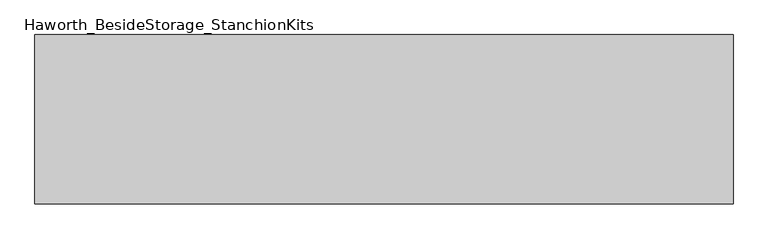
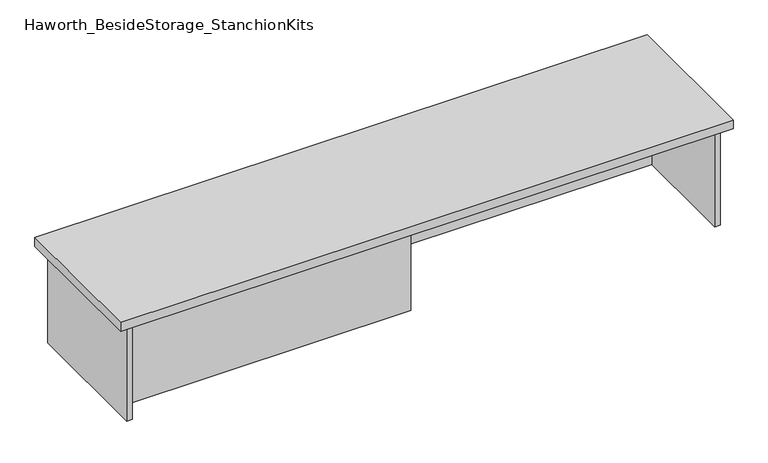
"""IFC4 building model written with IfcOpenShell, lengths in millimetres: furniture geometry, Haworth_BesideStorage_StanchionKits."""

from ifc_helpers import new_model, si_unit, frame, origin, place, context, project, spatial, polyline, outline, extrude, source, transform, mapped, element, save


def haworth_besidestorage_stanchionkits_d451e1f1(model_context):
    return source(origin(), model_context, "Body", "SweptSolid", [
        extrude(outline(polyline([(1000.125, 0.0), (1000.125, -406.4), (-676.275, -406.4), (-676.275, 0.0), (1000.125, 0.0)])), frame((0.0, 0.0, 711.2), z_axis=(0.0, 0.0, 1.0), x_axis=(1.0, 0.0, 0.0)), (0.0, 0.0, 1.0), 25.4),
        extrude(outline(polyline([(161.925, -76.2), (958.85, -76.2), (958.85, -92.075), (161.925, -92.075), (161.925, -76.2)])), frame((0.0, 0.0, 431.8), z_axis=(0.0, 0.0, 1.0), x_axis=(1.0, 0.0, 0.0)), (0.0, 0.0, 1.0), 279.4),
        extrude(outline(polyline([(161.925, -314.325), (161.925, -330.2), (-635.0, -330.2), (-635.0, -314.325), (161.925, -314.325)])), frame((0.0, 0.0, 431.8), z_axis=(0.0, 0.0, 1.0), x_axis=(1.0, 0.0, 0.0)), (0.0, 0.0, 1.0), 279.4),
        extrude(outline(polyline([(974.725, -390.525), (958.85, -390.525), (958.85, -15.875), (974.725, -15.875), (974.725, -390.525)])), frame((0.0, 0.0, 431.8), z_axis=(0.0, 0.0, 1.0), x_axis=(1.0, 0.0, 0.0)), (0.0, 0.0, 1.0), 279.4),
        extrude(outline(polyline([(-635.0, -390.525), (-650.875, -390.525), (-650.875, -15.875), (-635.0, -15.875), (-635.0, -390.525)])), frame((0.0, 0.0, 431.8), z_axis=(0.0, 0.0, 1.0), x_axis=(1.0, 0.0, 0.0)), (0.0, 0.0, 1.0), 279.4),
    ])


if __name__ == "__main__":
    model = new_model("IFC4")
    model_context = context("Model", 3, world=origin())
    ifc_project = project(units=[si_unit("LENGTHUNIT", "METRE", prefix="MILLI")], contexts=[model_context])
    site = spatial("IfcSite", under=ifc_project)
    building = spatial("IfcBuilding", under=site)
    placement = place(None, origin())
    haworth_besidestorage_stanchionkits_shape = haworth_besidestorage_stanchionkits_d451e1f1(model_context)
    element("IfcFurniture", 1, ObjectType="Haworth_BesideStorage_StanchionKits", at=placement, inside=building, context=model_context, shape_type="MappedRepresentation", body=[
        mapped(haworth_besidestorage_stanchionkits_shape, transform((0.0, 0.0, 0.0), x_axis=(1.0, 0.0, 0.0), y_axis=(0.0, 1.0, 0.0), z_axis=(0.0, 0.0, 1.0))),
    ])
    save(model, "model.ifc")
